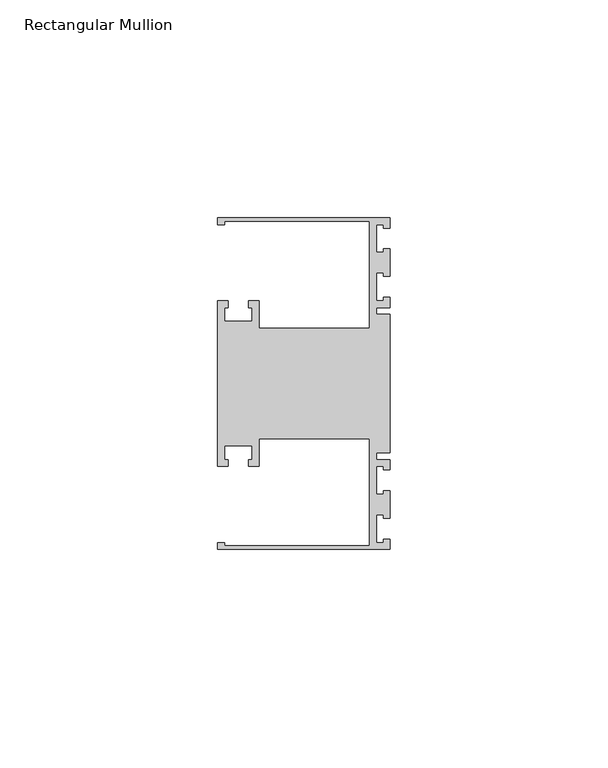
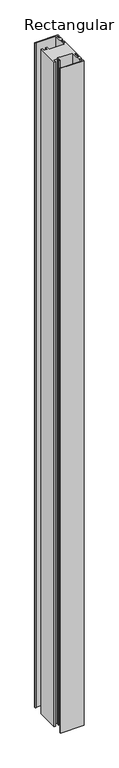
"""IFC4 building model written with IfcOpenShell, lengths in millimetres: member geometry, Rectangular Mullion."""

from ifc_helpers import new_model, si_unit, frame, origin, place, context, project, spatial, polyline, outline, extrude, source, transform, mapped, element, save


def rectangular_mullion_9b0bf33f(model_context):
    return source(origin(), model_context, "Body", "SweptSolid", [
        extrude(outline(polyline([(0.0, 38.1), (0.0, 35.71875), (-1.4999946, 35.71875), (-1.4999946, 36.5125), (-3.175, 36.5125), (-3.175, 30.1625), (-1.4999946, 30.1625), (-1.4999946, 30.95625), (0.0, 30.95625), (0.0, 24.60625), (-1.4999946, 24.60625), (-1.4999946, 25.4), (-3.175, 25.4), (-3.175, 19.05), (-1.4999946, 19.05), (-1.4999946, 19.84375), (0.0, 19.84375), (0.0, 17.4625), (-3.175, 17.4625), (-3.175, 15.875), (0.0, 15.875), (0.0, -15.875), (-3.175, -15.875), (-3.175, -17.4625), (0.0, -17.4625), (0.0, -19.84375), (-1.4999946, -19.84375), (-1.4999946, -19.05), (-3.175, -19.05), (-3.175, -25.4), (-1.4999946, -25.4), (-1.4999946, -24.60625), (0.0, -24.60625), (0.0, -30.95625), (-1.4999946, -30.95625), (-1.4999946, -30.1625), (-3.175, -30.1625), (-3.175, -36.5125), (-1.4999946, -36.5125), (-1.4999946, -35.71875), (0.0, -35.71875), (0.0, -38.1), (-39.6875, -38.1), (-39.6875, -36.5125), (-38.1, -36.5125), (-38.1, -37.30625), (-4.7625, -37.30625), (-4.7625, -12.7), (-30.1625, -12.7), (-30.1625, -19.05), (-32.54375, -19.05), (-32.54375, -17.4625), (-31.75, -17.4625), (-31.75, -14.2875), (-38.1, -14.2875), (-38.1, -17.4625), (-37.30625, -17.4625), (-37.30625, -19.05), (-39.6875, -19.05), (-39.6875, 19.05), (-37.30625, 19.05), (-37.30625, 17.4625), (-38.1, 17.4625), (-38.1, 14.2875), (-31.75, 14.2875), (-31.75, 17.4625), (-32.54375, 17.4625), (-32.54375, 19.05), (-30.1625, 19.05), (-30.1625, 12.7), (-4.7625, 12.7), (-4.7625, 37.30625), (-38.1, 37.30625), (-38.1, 36.5125), (-39.6875, 36.5125), (-39.6875, 38.1), (0.0, 38.1)])), frame((0.0, 0.0, -1190.625), z_axis=(0.0, 0.0, 1.0), x_axis=(1.0, 0.0, 0.0)), (0.0, 0.0, 1.0), 1190.625),
    ])


if __name__ == "__main__":
    model = new_model("IFC4")
    model_context = context("Model", 3, world=origin())
    ifc_project = project(units=[si_unit("LENGTHUNIT", "METRE", prefix="MILLI")], contexts=[model_context])
    site = spatial("IfcSite", under=ifc_project)
    building = spatial("IfcBuilding", under=site)
    placement = place(None, origin())
    rectangular_mullion_shape = rectangular_mullion_9b0bf33f(model_context)
    element("IfcMember", 1, ObjectType="Rectangular Mullion", at=placement, inside=building, context=model_context, shape_type="MappedRepresentation", body=[
        mapped(rectangular_mullion_shape, transform((0.0, 0.0, 0.0), x_axis=(1.0, 0.0, 0.0), y_axis=(0.0, 1.0, 0.0), z_axis=(0.0, 0.0, 1.0))),
    ])
    save(model, "model.ifc")
